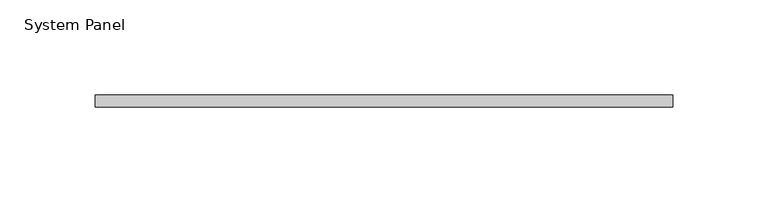
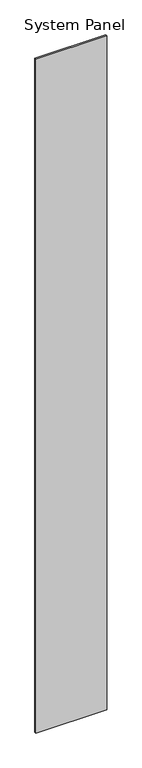
"""IFC4 building model written with IfcOpenShell, lengths in millimetres: plate geometry, System Panel."""

from ifc_helpers import new_model, si_unit, origin, origin_with_axes, place, context, project, spatial, polyline, outline, extrude, source, transform, mapped, element, save


def system_panel_7b8d3bd1(model_context):
    return source(origin(), model_context, "Body", "SweptSolid", [
        extrude(outline(polyline([(151.7716184, 0.0), (-151.7716184, 0.0), (-151.7716184, 6.35), (151.7716184, 6.35), (151.7716184, 0.0)])), origin_with_axes(), (0.0, 0.0, 1.0), 3048.0),
    ])


if __name__ == "__main__":
    model = new_model("IFC4")
    model_context = context("Model", 3, world=origin())
    ifc_project = project(units=[si_unit("LENGTHUNIT", "METRE", prefix="MILLI")], contexts=[model_context])
    site = spatial("IfcSite", under=ifc_project)
    building = spatial("IfcBuilding", under=site)
    placement = place(None, origin())
    system_panel_shape = system_panel_7b8d3bd1(model_context)
    element("IfcPlate", 1, ObjectType="System Panel", at=placement, inside=building, context=model_context, shape_type="MappedRepresentation", body=[
        mapped(system_panel_shape, transform((0.0, 0.0, 0.0), x_axis=(1.0, 0.0, 0.0), y_axis=(0.0, 1.0, 0.0), z_axis=(0.0, 0.0, 1.0))),
    ])
    save(model, "model.ifc")
